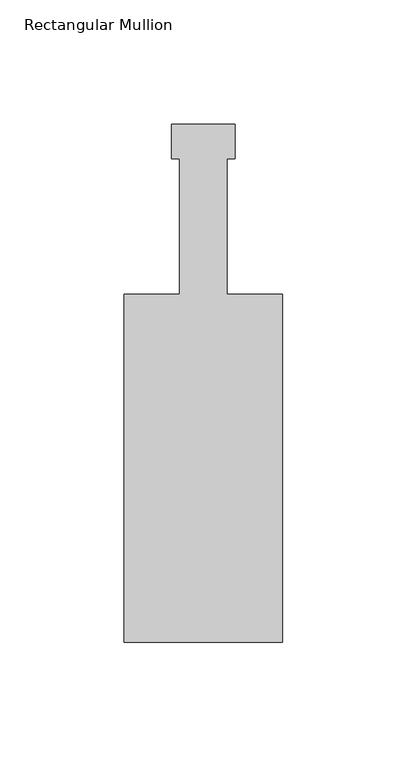
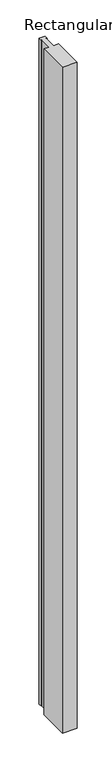
"""IFC4 building model written with IfcOpenShell, lengths in millimetres: member geometry, Rectangular Mullion."""

from ifc_helpers import new_model, si_unit, frame, origin, place, context, project, spatial, polyline, outline, extrude, source, transform, mapped, element, save


def rectangular_mullion_aad72b5d(model_context):
    return source(origin(), model_context, "Body", "SweptSolid", [
        extrude(outline(polyline([(-0.0001135, -139.699995), (-63.5001132, -139.699995), (-63.5001132, 0.0), (-41.2752264, 0.0), (-41.2752264, 54.4829944), (-44.4501132, 54.4829944), (-44.4501132, 68.2497944), (-19.0501132, 68.2497944), (-19.0501132, 54.4829944), (-22.225, 54.4829944), (-22.225, 0.0), (0.0, 0.0), (-0.0001135, -139.699995)])), frame((0.0, 0.0, -3048.0), z_axis=(0.0, 0.0, 1.0), x_axis=(1.0, 0.0, 0.0)), (0.0, 0.0, 1.0), 3048.0),
    ])


if __name__ == "__main__":
    model = new_model("IFC4")
    model_context = context("Model", 3, world=origin())
    ifc_project = project(units=[si_unit("LENGTHUNIT", "METRE", prefix="MILLI")], contexts=[model_context])
    site = spatial("IfcSite", under=ifc_project)
    building = spatial("IfcBuilding", under=site)
    placement = place(None, origin())
    rectangular_mullion_shape = rectangular_mullion_aad72b5d(model_context)
    element("IfcMember", 1, ObjectType="Rectangular Mullion", at=placement, inside=building, context=model_context, shape_type="MappedRepresentation", body=[
        mapped(rectangular_mullion_shape, transform((0.0, 0.0, 0.0), x_axis=(1.0, 0.0, 0.0), y_axis=(0.0, 1.0, 0.0), z_axis=(0.0, 0.0, 1.0))),
    ])
    save(model, "model.ifc")
